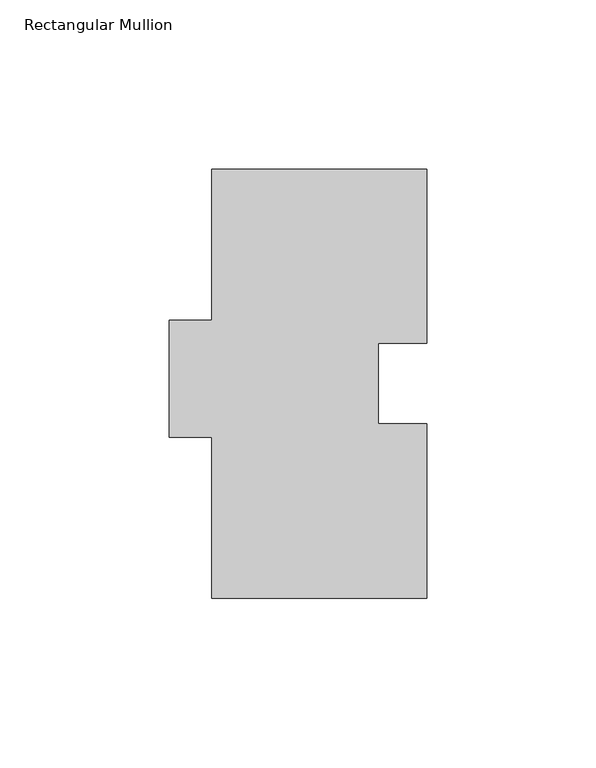
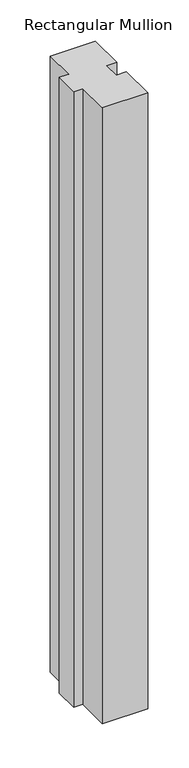
"""IFC4 building model written with IfcOpenShell, lengths in millimetres: member geometry, Rectangular Mullion."""

import ifcopenshell
import ifcopenshell.guid

model = None  # the IFC model being written
_history = None  # IfcOwnerHistory: only IFC2X3 demands one
_inside = {}  # id of a spatial element -> (the spatial element, [elements in it])
_under = {}  # id of a project, library or spatial element -> (it, [spatial elements below it])
_declared = {}  # id of a project -> (the project, [libraries it declares])
_typed = {}  # id of a type object -> (the type object, [elements of that type])
_made_of = {}  # id of a material, layer set ... -> (it, [elements and type objects made of it])


def new_model(schema):
    """Start an empty IFC model of exactly this schema.

    Asked for "IFC4X3", IfcOpenShell would pick the latest addendum, in which some entities
    have other attributes; the version numbers below select the first issue.
    IFC2X3 requires an IfcOwnerHistory on every rooted entity: one is made here for all.
    """
    global model, _history
    if schema == "IFC4X3":
        model = ifcopenshell.file(schema_version=(4, 3, 0, 0))
    else:
        model = ifcopenshell.file(schema=schema)
    _inside.clear()
    _under.clear()
    _declared.clear()
    _typed.clear()
    _made_of.clear()
    _history = None
    if model.schema == "IFC2X3":
        org = make("IfcOrganization", Name="unknown")
        user = make(
            "IfcPersonAndOrganization",
            ThePerson=make("IfcPerson", FamilyName="unknown"),
            TheOrganization=org,
        )
        app = make(
            "IfcApplication",
            ApplicationDeveloper=org,
            Version="unknown",
            ApplicationFullName="unknown",
            ApplicationIdentifier="unknown",
        )
        _history = make(
            "IfcOwnerHistory",
            OwningUser=user,
            OwningApplication=app,
            ChangeAction="ADDED",
            CreationDate=0,
        )
    return model


def make(cls, **values):
    """One entity of the class cls with the attributes given. An attribute that is None is left unset."""
    return model.create_entity(
        cls, **{name: value for name, value in values.items() if value is not None}
    )


def rooted(cls, **values):
    """An entity with a GlobalId (a new one), such as an element, a storey or a relation."""
    return make(cls, GlobalId=ifcopenshell.guid.new(), OwnerHistory=_history, **values)


def si_unit(unit_type, name, prefix=None):
    """IfcSIUnit, for example si_unit("LENGTHUNIT", "METRE", prefix="MILLI")."""
    return make("IfcSIUnit", UnitType=unit_type, Prefix=prefix, Name=name)


def assignment(units):
    """IfcUnitAssignment: the units of a project."""
    return None if units is None else make("IfcUnitAssignment", Units=units)


def point(xyz):
    """IfcCartesianPoint."""
    return None if xyz is None else make("IfcCartesianPoint", Coordinates=xyz)


def direction(xyz):
    """IfcDirection."""
    return None if xyz is None else make("IfcDirection", DirectionRatios=xyz)


def frame(location, z_axis=None, x_axis=None):
    """IfcAxis2Placement3D, a coordinate frame: its origin and axes. An axis left out is left unset."""
    return make(
        "IfcAxis2Placement3D",
        Location=point(location),
        Axis=direction(z_axis),
        RefDirection=direction(x_axis),
    )


def origin():
    """The frame at (0, 0, 0) with its axes left unset."""
    return frame((0.0, 0.0, 0.0))


def place(relative_to, where):
    """IfcLocalPlacement: puts the frame where relative to a parent placement (None: the world)."""
    return make(
        "IfcLocalPlacement", PlacementRelTo=relative_to, RelativePlacement=where
    )


def context(
    kind, dimensions, precision=None, world=None, true_north=None, identifier=None
):
    """IfcGeometricRepresentationContext, for example the 3D "Model" context."""
    return make(
        "IfcGeometricRepresentationContext",
        ContextIdentifier=identifier,
        ContextType=kind,
        CoordinateSpaceDimension=dimensions,
        Precision=precision,
        WorldCoordinateSystem=world,
        TrueNorth=true_north,
    )


def project(units=None, contexts=None):
    """IfcProject with its units and contexts."""
    return rooted(
        "IfcProject",
        Name="project",
        RepresentationContexts=contexts,
        UnitsInContext=assignment(units),
    )


def spatial(cls, under=None, at=None, **own):
    """A site, building, storey or space (cls), placed at a placement, below another one or the project."""
    s = rooted(cls, ObjectPlacement=at, **own)
    if under is not None:
        _under.setdefault(under.id(), (under, []))[1].append(s)
    return s


def polyline(points):
    """IfcPolyline through the points."""
    return make("IfcPolyline", Points=[point(p) for p in points])


def outline(outer, holes=None, kind="AREA"):
    """IfcArbitraryClosedProfileDef: a profile drawn as a closed curve; with holes, ...WithVoids."""
    if holes is None:
        return make("IfcArbitraryClosedProfileDef", ProfileType=kind, OuterCurve=outer)
    return make(
        "IfcArbitraryProfileDefWithVoids",
        ProfileType=kind,
        OuterCurve=outer,
        InnerCurves=holes,
    )


def extrude(swept, where, along, depth):
    """IfcExtrudedAreaSolid: the profile swept, set in the frame where, extruded along a direction by depth."""
    return make(
        "IfcExtrudedAreaSolid",
        SweptArea=swept,
        Position=where,
        ExtrudedDirection=direction(along),
        Depth=depth,
    )


def shape(context_of_items, identifier, shape_type, items):
    """IfcShapeRepresentation: the items that make up one representation, for example the "Body"."""
    return make(
        "IfcShapeRepresentation",
        ContextOfItems=context_of_items,
        RepresentationIdentifier=identifier,
        RepresentationType=shape_type,
        Items=items,
    )


def source(mapping_origin, context_of_items, identifier, shape_type, items):
    """IfcRepresentationMap: a shape defined once, which mapped items show again and again."""
    return make(
        "IfcRepresentationMap",
        MappingOrigin=mapping_origin,
        MappedRepresentation=shape(context_of_items, identifier, shape_type, items),
    )


def transform(
    local_origin,
    x_axis=None,
    y_axis=None,
    z_axis=None,
    scale=None,
    scale2=None,
    scale3=None,
    uniform=True,
):
    """IfcCartesianTransformationOperator3D, or its non-uniform kind. x_axis, y_axis, z_axis: its Axis1, 2, 3."""
    if uniform:
        return make(
            "IfcCartesianTransformationOperator3D",
            Axis1=direction(x_axis),
            Axis2=direction(y_axis),
            LocalOrigin=point(local_origin),
            Scale=scale,
            Axis3=direction(z_axis),
        )
    return make(
        "IfcCartesianTransformationOperator3DnonUniform",
        Axis1=direction(x_axis),
        Axis2=direction(y_axis),
        LocalOrigin=point(local_origin),
        Scale=scale,
        Axis3=direction(z_axis),
        Scale2=scale2,
        Scale3=scale3,
    )


def mapped(mapping_source, mapping_target):
    """IfcMappedItem: shows the shape of a source again, moved by a transform."""
    return make(
        "IfcMappedItem", MappingSource=mapping_source, MappingTarget=mapping_target
    )


def made_of(thing, what):
    """Note that an element or type object is made of a material, layer set ...; save() writes the relation."""
    if what is not None:
        _made_of.setdefault(what.id(), (what, []))[1].append(thing)
    return thing


def element(
    cls,
    number,
    at=None,
    inside=None,
    cuts=None,
    type_object=None,
    material=None,
    context=None,
    identifier="Body",
    shape_type=None,
    held_by="IfcProductDefinitionShape",
    body=None,
    shapes=None,
    **own,
):
    """One element of the class cls, such as IfcWall. Its Tag is "e" and its number.

    at: its placement. inside: the storey or other place that contains it. cuts: it is an
    opening in that element (IfcRelVoidsElement). A single representation is given by context,
    identifier, shape_type and body (its items); several are given by shapes. held_by: the class
    of the entity that holds the representations. save() writes the other relations.
    """
    e = rooted(cls, Tag="e%d" % number, ObjectPlacement=at, **own)
    if body is not None:
        shapes = [shape(context, identifier, shape_type, body)]
    if shapes is not None:
        e.Representation = make(held_by, Representations=shapes)
    if inside is not None:
        _inside.setdefault(inside.id(), (inside, []))[1].append(e)
    if cuts is not None:
        rooted(
            "IfcRelVoidsElement", RelatingBuildingElement=cuts, RelatedOpeningElement=e
        )
    if type_object is not None:
        _typed.setdefault(type_object.id(), (type_object, []))[1].append(e)
    return made_of(e, material)


def aggregate(whole, parts):
    """IfcRelAggregates: a whole, such as a stair, and the parts it consists of."""
    return rooted("IfcRelAggregates", RelatingObject=whole, RelatedObjects=parts)


def save(model, path):
    """Write the relations noted so far, then the file.

    IfcRelAggregates (storeys below a building ...), IfcRelContainedInSpatialStructure (elements
    in a storey), IfcRelDefinesByType, IfcRelAssociatesMaterial and IfcRelDeclares: one each for
    every whole, place, type object, material and project.
    """
    for whole, parts in _under.values():
        aggregate(whole, parts)
    for where, things in _inside.values():
        rooted(
            "IfcRelContainedInSpatialStructure",
            RelatedElements=things,
            RelatingStructure=where,
        )
    for kind, things in _typed.values():
        rooted("IfcRelDefinesByType", RelatedObjects=things, RelatingType=kind)
    for what, things in _made_of.values():
        rooted("IfcRelAssociatesMaterial", RelatedObjects=things, RelatingMaterial=what)
    for by, libraries in _declared.values():
        rooted("IfcRelDeclares", RelatingContext=by, RelatedDefinitions=libraries)
    model.write(path)


def rectangular_mullion_f20c8762(model_context):
    return source(origin(), model_context, "Body", "SweptSolid", [
        extrude(outline(polyline([(31.75, 127.0), (31.75, 75.3999), (17.4498, 75.3999), (17.4498, 51.6001), (31.75, 51.6001), (31.75, 0.0), (-31.75, 0.0), (-31.75, 47.625), (-44.45, 47.625), (-44.45, 82.296), (-31.75, 82.296), (-31.75, 127.0), (31.75, 127.0)])), frame((0.0, 0.0, -914.4), z_axis=(0.0, 0.0, 1.0), x_axis=(1.0, 0.0, 0.0)), (0.0, 0.0, 1.0), 914.4),
    ])


if __name__ == "__main__":
    model = new_model("IFC4")
    model_context = context("Model", 3, world=origin())
    ifc_project = project(units=[si_unit("LENGTHUNIT", "METRE", prefix="MILLI")], contexts=[model_context])
    site = spatial("IfcSite", under=ifc_project)
    building = spatial("IfcBuilding", under=site)
    placement = place(None, origin())
    rectangular_mullion_shape = rectangular_mullion_f20c8762(model_context)
    element("IfcMember", 1, ObjectType="Rectangular Mullion", at=placement, inside=building, context=model_context, shape_type="MappedRepresentation", body=[
        mapped(rectangular_mullion_shape, transform((0.0, 0.0, 0.0), x_axis=(1.0, 0.0, 0.0), y_axis=(0.0, 1.0, 0.0), z_axis=(0.0, 0.0, 1.0))),
    ])
    save(model, "model.ifc")
